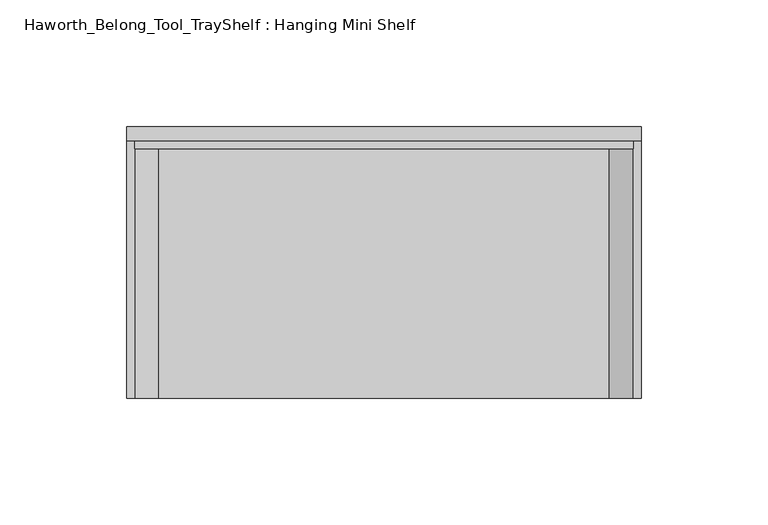
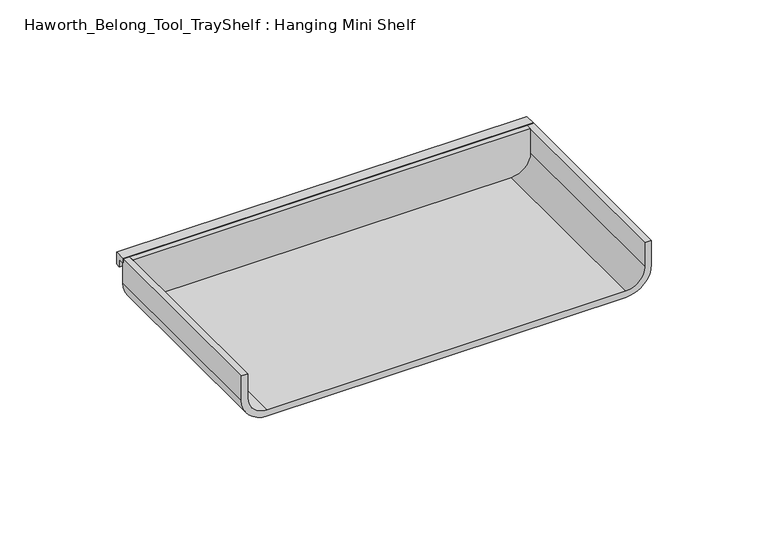
"""IFC4 building model written with IfcOpenShell, lengths in millimetres: furniture geometry, Haworth_Belong_Tool_TrayShelf : Hanging Mini Shelf."""

from ifc_helpers import new_model, si_unit, point, frame, frame_2d, origin, place, context, project, spatial, polyline, circle_curve, trimmed, segment, composite_curve, outline, extrude, source, transform, mapped, element, save


def haworth_belong_tool_trayshelf_hanging_mini_shelf_abdf5a44(model_context):
    return source(origin(), model_context, "Body", "SweptSolid", [
        extrude(outline(polyline([(3.175, 23.01875), (0.0, 23.01875), (0.0, 25.4), (5.55625, 25.4), (5.55625, 19.05), (3.175, 19.05), (3.175, 23.01875)])), frame((63.5, 0.0, 0.0), z_axis=(1.0, 0.0, 0.0), x_axis=(0.0, 1.0, 0.0)), (0.0, 0.0, 1.0), 203.2),
        extrude(outline(composite_curve([segment(polyline([(25.4, 263.525), (25.4, 66.675), (12.7, 66.675)]), True, "CONTINUOUS"), segment(trimmed(circle_curve(frame_2d((12.7, 76.2)), 9.525), [point((12.7, 66.675))], [point((3.175, 76.2))], False, "CARTESIAN"), True, "CONTINUOUS"), segment(polyline([(3.175, 76.2), (3.175, 254.0)]), True, "CONTINUOUS"), segment(trimmed(circle_curve(frame_2d((12.7, 254.0)), 9.525), [point((3.175, 254.0))], [point((12.7, 263.525))], False, "CARTESIAN"), True, "CONTINUOUS"), segment(polyline([(12.7, 263.525), (25.4, 263.525)]), True, "CONTINUOUS")], self_intersect=False)), frame((0.0, -3.175, 0.0), z_axis=(0.0, 1.0, 0.0), x_axis=(0.0, 0.0, 1.0)), (0.0, 0.0, 1.0), 3.175),
        extrude(outline(composite_curve([segment(polyline([(25.4, 63.5), (12.7, 63.5)]), True, "CONTINUOUS"), segment(trimmed(circle_curve(frame_2d((12.7, 76.2)), 12.7), [point((12.7, 63.5))], [point((0.0, 76.2))], False, "CARTESIAN"), True, "CONTINUOUS"), segment(polyline([(0.0, 76.2), (0.0, 254.0)]), True, "CONTINUOUS"), segment(trimmed(circle_curve(frame_2d((12.7, 254.0)), 12.7), [point((0.0, 254.0))], [point((12.7, 266.7))], False, "CARTESIAN"), True, "CONTINUOUS"), segment(polyline([(12.7, 266.7), (25.4, 266.7), (25.4, 263.525), (12.7, 263.525)]), True, "CONTINUOUS"), segment(trimmed(circle_curve(frame_2d((12.7, 254.0)), 9.525), [point((12.7, 263.525))], [point((3.175, 254.0))], True, "CARTESIAN"), True, "CONTINUOUS"), segment(polyline([(3.175, 254.0), (3.175, 76.2)]), True, "CONTINUOUS"), segment(trimmed(circle_curve(frame_2d((12.7, 76.2)), 9.525), [point((3.175, 76.2))], [point((12.7, 66.675))], True, "CARTESIAN"), True, "CONTINUOUS"), segment(polyline([(12.7, 66.675), (25.4, 66.675), (25.4, 63.5)]), True, "CONTINUOUS")], self_intersect=False)), frame((0.0, -101.6, 0.0), z_axis=(0.0, 1.0, 0.0), x_axis=(0.0, 0.0, 1.0)), (0.0, 0.0, 1.0), 101.6),
    ])


if __name__ == "__main__":
    model = new_model("IFC4")
    model_context = context("Model", 3, world=origin())
    ifc_project = project(units=[si_unit("LENGTHUNIT", "METRE", prefix="MILLI")], contexts=[model_context])
    site = spatial("IfcSite", under=ifc_project)
    building = spatial("IfcBuilding", under=site)
    placement = place(None, origin())
    haworth_belong_tool_trayshelf_hanging_mini_shelf_shape = haworth_belong_tool_trayshelf_hanging_mini_shelf_abdf5a44(model_context)
    element("IfcFurniture", 1, ObjectType="Haworth_Belong_Tool_TrayShelf : Hanging Mini Shelf", at=placement, inside=building, context=model_context, shape_type="MappedRepresentation", body=[
        mapped(haworth_belong_tool_trayshelf_hanging_mini_shelf_shape, transform((0.0, 0.0, 0.0), x_axis=(1.0, 0.0, 0.0), y_axis=(0.0, 1.0, 0.0), z_axis=(0.0, 0.0, 1.0))),
    ])
    save(model, "model.ifc")
